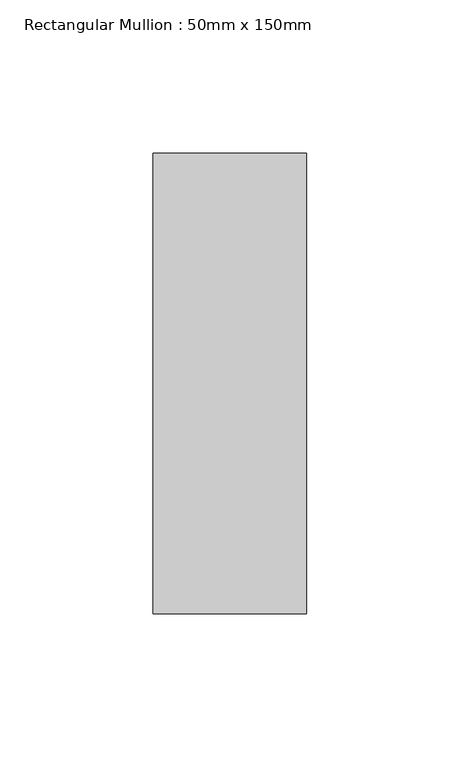
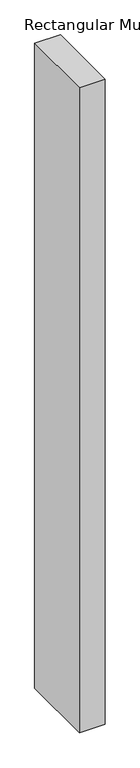
"""IFC4 building model written with IfcOpenShell, lengths in millimetres: member geometry, Rectangular Mullion : 50mm x 150mm."""

from ifc_helpers import new_model, si_unit, frame, origin, place, context, project, spatial, polyline, outline, extrude, source, transform, mapped, element, save


def rectangular_mullion_50mm_x_150mm_d7b449dd(model_context):
    return source(origin(), model_context, "Body", "SweptSolid", [
        extrude(outline(polyline([(0.0, 75.0), (0.0, -75.0), (-50.0, -75.0), (-50.0, 75.0), (0.0, 75.0)])), frame((0.0, 0.0, -1322.8571431), z_axis=(0.0, 0.0, 1.0), x_axis=(1.0, 0.0, 0.0)), (0.0, 0.0, 1.0), 1322.8571431),
    ])


if __name__ == "__main__":
    model = new_model("IFC4")
    model_context = context("Model", 3, world=origin())
    ifc_project = project(units=[si_unit("LENGTHUNIT", "METRE", prefix="MILLI")], contexts=[model_context])
    site = spatial("IfcSite", under=ifc_project)
    building = spatial("IfcBuilding", under=site)
    placement = place(None, origin())
    rectangular_mullion_50mm_x_150mm_shape = rectangular_mullion_50mm_x_150mm_d7b449dd(model_context)
    element("IfcMember", 1, ObjectType="Rectangular Mullion : 50mm x 150mm", at=placement, inside=building, context=model_context, shape_type="MappedRepresentation", body=[
        mapped(rectangular_mullion_50mm_x_150mm_shape, transform((0.0, 0.0, 0.0), x_axis=(1.0, 0.0, 0.0), y_axis=(0.0, 1.0, 0.0), z_axis=(0.0, 0.0, 1.0))),
    ])
    save(model, "model.ifc")
